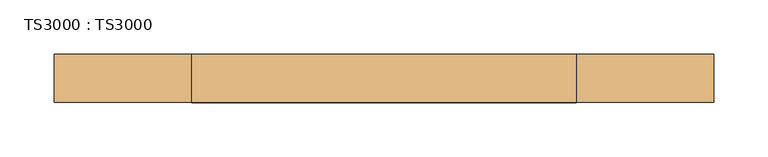
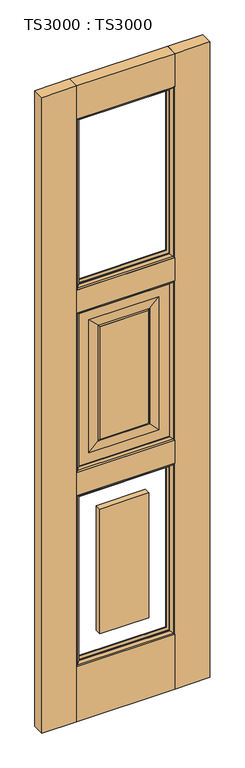
"""IFC4 building model written with IfcOpenShell, lengths in millimetres: door geometry, TS3000 : TS3000."""

from ifc_helpers import new_model, si_unit, frame, origin, origin_with_axes, place, context, project, spatial, polyline, ellipse_curve, outline, extrude, source, transform, mapped, element, save
from ifc_brep_helpers import plane_surface, revolved_surface, advanced_brep


def ts3000_ts3000_b3cfcfa0(model_context):
    return source(origin(), model_context, "Body", "SolidModel", [
        extrude(outline(polyline([(482.6, -44.45), (127.0, -44.45), (127.0, 0.0), (482.6, 0.0), (482.6, -44.45)])), origin_with_axes(), (0.0, 0.0, 1.0), 209.55),
        extrude(outline(polyline([(482.6, -44.45), (127.0, -44.45), (127.0, 0.0), (482.6, 0.0), (482.6, -44.45)])), frame((0.0, 0.0, 865.7166667), z_axis=(0.0, 0.0, 1.0), x_axis=(1.0, 0.0, 0.0)), (0.0, 0.0, 1.0), 88.9),
        extrude(outline(polyline([(482.6, -44.45), (127.0, -44.45), (127.0, 0.0), (482.6, 0.0), (482.6, -44.45)])), frame((0.0, 0.0, 2311.4), z_axis=(0.0, 0.0, 1.0), x_axis=(1.0, 0.0, 0.0)), (0.0, 0.0, 1.0), 127.0),
        extrude(outline(polyline([(482.6, -44.45), (127.0, -44.45), (127.0, 0.0), (482.6, 0.0), (482.6, -44.45)])), frame((0.0, 0.0, 1566.3333333), z_axis=(0.0, 0.0, 1.0), x_axis=(1.0, 0.0, 0.0)), (0.0, 0.0, 1.0), 88.9),
        extrude(outline(polyline([(609.6, -44.45), (482.6, -44.45), (482.6, 0.0), (609.6, 0.0), (609.6, -44.45)])), origin_with_axes(), (0.0, 0.0, 1.0), 2438.4),
        extrude(outline(polyline([(127.0, -44.45), (0.0, -44.45), (0.0, 0.0), (127.0, 0.0), (127.0, -44.45)])), origin_with_axes(), (0.0, 0.0, 1.0), 2438.4),
        advanced_brep(
        [(482.6, -12.7, 1566.3333333), (482.6, -31.75, 1566.3333333), (482.6, -31.75, 954.6166667), (482.6, -12.7, 954.6166667), (127.0, -31.75, 1566.3333333), (127.0, -31.75, 954.6166667), (431.8, -31.75, 1005.4166667), (177.8, -31.75, 1005.4166667), (177.8, -31.75, 1515.5333333), (431.8, -31.75, 1515.5333333), (127.0, -12.7, 954.6166667), (127.0, -12.7, 1566.3333333), (431.8, -12.7, 1515.5333333), (177.8, -12.7, 1515.5333333), (177.8, -12.7, 1005.4166667), (431.8, -12.7, 1005.4166667), (393.7, -33.3375, 1477.4333333), (393.7, -11.1125, 1477.4333333), (393.7, -11.1125, 1043.5166667), (393.7, -33.3375, 1043.5166667), (398.4625, -13.49375, 1482.1958333), (398.4625, -13.49375, 1038.7541667), (215.9, -11.1125, 1043.5166667), (215.9, -33.3375, 1043.5166667), (398.4625, -30.95625, 1482.1958333), (398.4625, -30.95625, 1038.7541667), (211.1375, -13.49375, 1038.7541667), (215.9, -11.1125, 1477.4333333), (215.9, -33.3375, 1477.4333333), (211.1375, -30.95625, 1038.7541667), (211.1375, -13.49375, 1482.1958333), (211.1375, -30.95625, 1482.1958333)],
        [
            (0, 1),
            (1, 2),
            (2, 3),
            (3, 0),
            (1, 4),
            (4, 5),
            (5, 2),
            (6, 7),
            (7, 8),
            (8, 9),
            (9, 6),
            (5, 10),
            (10, 3),
            (10, 11),
            (11, 0),
            (12, 13),
            (13, 14),
            (14, 15),
            (15, 12),
            (16, 17),
            (17, 18),
            (18, 19),
            (19, 16),
            (17, 20, ellipse_curve(frame((398.9585938, -6.5484375, 1482.6919271), z_axis=(-0.7071067811865475, 0.0, 0.7071067811865475), x_axis=(-0.7071067811865474, 0.0, -0.7071067811865476)), 9.8471798, 6.9630076)),
            (20, 21),
            (21, 18, ellipse_curve(frame((398.9585938, -6.5484375, 1038.2580729), z_axis=(-0.7071067811865475, 0.0, -0.7071067811865475), x_axis=(0.7071067811865474, 0.0, -0.7071067811865476)), 9.8471798, 6.9630076)),
            (18, 22),
            (22, 23),
            (23, 19),
            (24, 16, ellipse_curve(frame((398.9585938, -37.9015625, 1482.6919271), z_axis=(-0.7071067811865475, 0.0, 0.7071067811865475), x_axis=(-0.7071067811865474, 0.0, -0.7071067811865476)), 9.8471798, 6.9630076)),
            (19, 25, ellipse_curve(frame((398.9585938, -37.9015625, 1038.2580729), z_axis=(-0.7071067811865475, 0.0, -0.7071067811865475), x_axis=(0.7071067811865474, 0.0, -0.7071067811865476)), 9.8471798, 6.9630076)),
            (25, 24),
            (4, 11),
            (21, 26),
            (26, 22, ellipse_curve(frame((210.6414063, -6.5484375, 1038.2580729), z_axis=(-0.7071067811865475, 0.0, 0.7071067811865475), x_axis=(-0.7071067811865476, 0.0, -0.7071067811865474)), 9.8471798, 6.9630076)),
            (22, 27),
            (27, 28),
            (28, 23),
            (23, 29, ellipse_curve(frame((210.6414063, -37.9015625, 1038.2580729), z_axis=(-0.7071067811865475, 0.0, 0.7071067811865475), x_axis=(-0.7071067811865476, 0.0, -0.7071067811865474)), 9.8471798, 6.9630076)),
            (29, 25),
            (26, 30),
            (30, 27, ellipse_curve(frame((210.6414063, -6.5484375, 1482.6919271), z_axis=(0.7071067811865475, 0.0, 0.7071067811865475), x_axis=(-0.7071067811865474, 0.0, 0.7071067811865476)), 9.8471798, 6.9630076)),
            (28, 31, ellipse_curve(frame((210.6414063, -37.9015625, 1482.6919271), z_axis=(0.7071067811865475, 0.0, 0.7071067811865475), x_axis=(-0.7071067811865474, 0.0, 0.7071067811865476)), 9.8471798, 6.9630076)),
            (31, 29),
            (6, 25),
            (29, 7),
            (31, 8),
            (9, 24),
            (26, 14),
            (13, 30),
            (21, 15),
            (20, 12),
            (27, 17),
            (16, 28),
            (31, 24),
            (20, 30),
        ],
        [
            plane_surface(frame((482.6, -31.75, 1566.3333333), z_axis=(1.0, 0.0, 0.0), x_axis=(0.0, 0.0, -1.0))),
            plane_surface(frame((177.8, -31.75, 1515.5333333), z_axis=(0.0, -1.0, 0.0), x_axis=(1.0, 0.0, 0.0))),
            plane_surface(frame((482.6, -31.75, 954.6166667), z_axis=(0.0, 0.0, -1.0), x_axis=(-1.0, 0.0, 0.0))),
            plane_surface(frame((127.0, -12.7, 1566.3333333), z_axis=(0.0, 1.0, 0.0), x_axis=(1.0, 0.0, 0.0))),
            plane_surface(frame((393.7, -11.1125, 1477.4333333), z_axis=(-1.0, 0.0, 0.0), x_axis=(0.0, 0.0, -1.0))),
            revolved_surface(polyline([(391.9955862, -6.5484375, 1031.2950652878567), (391.9955862, -6.5484375, 1489.6549347121431)]), (398.9585938, -6.5484375, 1477.4333333), (0.0, 0.0, -1.0)),
            plane_surface(frame((393.7, -11.1125, 1043.5166667), z_axis=(0.0, 0.0, 1.0), x_axis=(-1.0, 0.0, 0.0))),
            revolved_surface(polyline([(391.9955862, -37.9015625, 1031.2950652878567), (391.9955862, -37.9015625, 1489.6549347121431)]), (398.9585938, -37.9015625, 1477.4333333), (0.0, 0.0, -1.0)),
            plane_surface(frame((127.0, -31.75, 954.6166667), z_axis=(-1.0, 0.0, 0.0), x_axis=(0.0, 0.0, 1.0))),
            revolved_surface(polyline([(203.6783986878568, -6.5484375, 1045.2210805), (405.9216014121432, -6.5484375, 1045.2210805)]), (393.7, -6.5484375, 1038.2580729), (-1.0, 0.0, 0.0)),
            plane_surface(frame((215.9, -11.1125, 1043.5166667), z_axis=(1.0, 0.0, 0.0), x_axis=(0.0, 0.0, 1.0))),
            revolved_surface(polyline([(203.6783986878568, -37.9015625, 1045.2210805), (405.9216014121432, -37.9015625, 1045.2210805)]), (393.7, -37.9015625, 1038.2580729), (-1.0, 0.0, 0.0)),
            revolved_surface(polyline([(217.6044139, -6.5484375, 1489.6549347121431), (217.6044139, -6.5484375, 1031.2950652878567)]), (210.6414063, -6.5484375, 1043.5166667), (0.0, 0.0, 1.0)),
            revolved_surface(polyline([(217.6044139, -37.9015625, 1489.6549347121431), (217.6044139, -37.9015625, 1031.2950652878567)]), (210.6414063, -37.9015625, 1043.5166667), (0.0, 0.0, 1.0)),
            plane_surface(frame((398.4625, -30.95625, 1038.7541667), z_axis=(0.0, -0.9997166737441345, 0.023802777946362628), x_axis=(-1.0, 0.0, 0.0))),
            plane_surface(frame((211.1375, -30.95625, 1038.7541667), z_axis=(0.023802777946359394, -0.9997166737441346, 0.0), x_axis=(0.0, 0.0, 1.0))),
            plane_surface(frame((398.4625, -30.95625, 1482.1958333), z_axis=(-0.02380277794636586, -0.9997166737441344, 0.0), x_axis=(0.0, 0.0, -1.0))),
            plane_surface(frame((177.8, -12.7, 1005.4166667), z_axis=(0.023802777946303297, 0.9997166737441359, 0.0), x_axis=(0.0, 0.0, 1.0))),
            plane_surface(frame((431.8, -12.7, 1005.4166667), z_axis=(0.0, 0.999716673744136, 0.023802777946300063), x_axis=(-1.0, 0.0, 0.0))),
            plane_surface(frame((431.8, -12.7, 1515.5333333), z_axis=(-0.02380277794629683, 0.9997166737441361, 0.0), x_axis=(0.0, 0.0, -1.0))),
            plane_surface(frame((127.0, -31.75, 1566.3333333), z_axis=(0.0, 0.0, 1.0), x_axis=(1.0, 0.0, 0.0))),
            plane_surface(frame((215.9, -11.1125, 1477.4333333), z_axis=(0.0, 0.0, -1.0), x_axis=(1.0, 0.0, 0.0))),
            plane_surface(frame((211.1375, -30.95625, 1482.1958333), z_axis=(0.0, -0.9997166737441345, -0.023802777946362628), x_axis=(1.0, 0.0, 0.0))),
            plane_surface(frame((177.8, -12.7, 1515.5333333), z_axis=(0.0, 0.999716673744136, -0.023802777946300063), x_axis=(1.0, 0.0, 0.0))),
            revolved_surface(polyline([(405.9216014121432, -6.5484375, 1475.7289194999998), (203.6783986878568, -6.5484375, 1475.7289194999998)]), (215.9, -6.5484375, 1482.6919271), (1.0, 0.0, 0.0)),
            revolved_surface(polyline([(405.9216014121432, -37.9015625, 1475.7289194999998), (203.6783986878568, -37.9015625, 1475.7289194999998)]), (215.9, -37.9015625, 1482.6919271), (1.0, 0.0, 0.0)),
        ],
        [
            (0, [[1, 2, 3, 4]]),
            (1, [[5, 6, 7, -2], [8, 9, 10, 11]]),
            (2, [[-3, -7, 12, 13]]),
            (3, [[-13, 14, 15, -4], [16, 17, 18, 19]]),
            (4, [[20, 21, 22, 23]]),
            (5, [[24, 25, 26, -21]]),
            (6, [[-22, 27, 28, 29]]),
            (7, [[30, -23, 31, 32]]),
            (8, [[-12, -6, 33, -14]]),
            (9, [[-26, 34, 35, -27]]),
            (10, [[-28, 36, 37, 38]]),
            (11, [[-31, -29, 39, 40]]),
            (12, [[-35, 41, 42, -36]]),
            (13, [[-39, -38, 43, 44]]),
            (14, [[45, -40, 46, -8]]),
            (15, [[-46, -44, 47, -9]]),
            (16, [[48, -32, -45, -11]]),
            (17, [[49, -17, 50, -41]]),
            (18, [[51, -18, -49, -34]]),
            (19, [[52, -19, -51, -25]]),
            (20, [[-33, -5, -1, -15]]),
            (21, [[-37, 53, -20, 54]]),
            (22, [[-47, 55, -48, -10]]),
            (23, [[-50, -16, -52, 56]]),
            (24, [[-42, -56, -24, -53]]),
            (25, [[-43, -54, -30, -55]]),
        ],
    ),
        extrude(outline(polyline([(215.9, -11.1125), (393.7, -11.1125), (393.7, -33.3375), (215.9, -33.3375), (215.9, -11.1125)])), frame((0.0, 0.0, 298.45), z_axis=(0.0, 0.0, 1.0), x_axis=(1.0, 0.0, 0.0)), (0.0, 0.0, 1.0), 478.3666667),
        extrude(outline(polyline([(215.9, -11.1125), (393.7, -11.1125), (393.7, -33.3375), (215.9, -33.3375), (215.9, -11.1125)])), frame((0.0, 0.0, 1043.5166667), z_axis=(0.0, 0.0, 1.0), x_axis=(1.0, 0.0, 0.0)), (0.0, 0.0, 1.0), 433.9166667),
        advanced_brep(
        [(482.6, -31.75, 865.7166667), (482.6, -44.4610047, 865.7166667), (482.6, -44.4610047, 209.55), (482.6, -31.75, 209.55), (469.8912454, -34.925, 853.007912), (469.8912454, -31.75, 853.007912), (469.8912454, -31.75, 222.2587546), (469.8912454, -34.925, 222.2587546), (477.7328423, -41.275, 860.849509), (477.7328423, -41.275, 214.4171577), (127.0, -44.4610047, 209.55), (127.0, -31.75, 209.55), (139.7087546, -31.75, 222.2587546), (139.7087546, -34.925, 222.2587546), (131.8671577, -41.275, 214.4171577), (127.0, -44.4610047, 865.7166667), (127.0, -31.75, 865.7166667), (139.7087546, -31.75, 853.007912), (139.7087546, -34.925, 853.007912), (131.8671577, -41.275, 860.849509)],
        [
            (0, 1),
            (1, 2),
            (2, 3),
            (3, 0),
            (4, 5),
            (5, 6),
            (6, 7),
            (7, 4),
            (8, 4, ellipse_curve(frame((465.749739, -48.0561173, 848.8664057), z_axis=(-0.7071067811865475, 0.0, 0.7071067811865475), x_axis=(-0.7071067811865474, 0.0, -0.7071067811865476)), 19.4719447, 13.7687442)),
            (7, 9, ellipse_curve(frame((465.749739, -48.0561173, 226.400261), z_axis=(-0.7071067811865475, 0.0, -0.7071067811865475), x_axis=(0.7071067811865474, 0.0, -0.7071067811865476)), 19.4719447, 13.7687442)),
            (9, 8),
            (1, 8, ellipse_curve(frame((474.6613821, -51.2778746, 857.7780488), z_axis=(-0.7071067811865475, 0.0, 0.7071067811865475), x_axis=(-0.7071067811865474, 0.0, -0.7071067811865476)), 14.7980653, 10.4638123)),
            (9, 2, ellipse_curve(frame((474.6613821, -51.2778746, 217.4886179), z_axis=(-0.7071067811865475, 0.0, -0.7071067811865475), x_axis=(0.7071067811865474, 0.0, -0.7071067811865476)), 14.7980653, 10.4638123)),
            (2, 10),
            (10, 11),
            (11, 3),
            (6, 12),
            (12, 13),
            (13, 7),
            (13, 14, ellipse_curve(frame((143.850261, -48.0561173, 226.400261), z_axis=(-0.7071067811865475, 0.0, 0.7071067811865475), x_axis=(-0.7071067811865476, 0.0, -0.7071067811865474)), 19.4719447, 13.7687442)),
            (14, 9),
            (14, 10, ellipse_curve(frame((134.9386179, -51.2778746, 217.4886179), z_axis=(-0.7071067811865475, 0.0, 0.7071067811865475), x_axis=(-0.7071067811865476, 0.0, -0.7071067811865474)), 14.7980653, 10.4638123)),
            (10, 15),
            (15, 16),
            (16, 11),
            (12, 17),
            (17, 18),
            (18, 13),
            (18, 19, ellipse_curve(frame((143.850261, -48.0561173, 848.8664057), z_axis=(0.7071067811865475, 0.0, 0.7071067811865475), x_axis=(-0.7071067811865474, 0.0, 0.7071067811865476)), 19.4719447, 13.7687442)),
            (19, 14),
            (19, 15, ellipse_curve(frame((134.9386179, -51.2778746, 857.7780488), z_axis=(0.7071067811865475, 0.0, 0.7071067811865475), x_axis=(-0.7071067811865474, 0.0, 0.7071067811865476)), 14.7980653, 10.4638123)),
            (15, 1),
            (0, 16),
            (5, 17),
            (4, 18),
            (8, 19),
        ],
        [
            plane_surface(frame((482.6, -44.4610047, 865.7166667), z_axis=(1.0, 0.0, 0.0), x_axis=(0.0, 0.0, -1.0))),
            plane_surface(frame((469.8912454, -31.75, 853.007912), z_axis=(-1.0, 0.0, 0.0), x_axis=(0.0, 0.0, -1.0))),
            revolved_surface(polyline([(451.98099479999996, -48.0561173, 212.6315168597406), (451.98099479999996, -48.0561173, 862.6351498402594)]), (465.749739, -48.0561173, 865.7166667), (0.0, 0.0, -1.0)),
            revolved_surface(polyline([(464.1975698, -51.2778746, 207.02480557792865), (464.1975698, -51.2778746, 868.2418611220713)]), (474.6613821, -51.2778746, 865.7166667), (0.0, 0.0, -1.0)),
            plane_surface(frame((482.6, -44.4610047, 209.55), z_axis=(0.0, 0.0, -1.0), x_axis=(-1.0, 0.0, 0.0))),
            plane_surface(frame((469.8912454, -31.75, 222.2587546), z_axis=(0.0, 0.0, 1.0), x_axis=(-1.0, 0.0, 0.0))),
            revolved_surface(polyline([(130.08151685974053, -48.0561173, 240.16900520000002), (479.51848314025943, -48.0561173, 240.16900520000002)]), (482.6, -48.0561173, 226.400261), (-1.0, 0.0, 0.0)),
            revolved_surface(polyline([(124.47480557792863, -51.2778746, 227.9524302), (485.1251944220714, -51.2778746, 227.9524302)]), (482.6, -51.2778746, 217.4886179), (-1.0, 0.0, 0.0)),
            plane_surface(frame((127.0, -44.4610047, 209.55), z_axis=(-1.0, 0.0, 0.0), x_axis=(0.0, 0.0, 1.0))),
            plane_surface(frame((139.7087546, -31.75, 222.2587546), z_axis=(1.0, 0.0, 0.0), x_axis=(0.0, 0.0, 1.0))),
            revolved_surface(polyline([(157.6190052, -48.0561173, 862.6351498402594), (157.6190052, -48.0561173, 212.63151685974054)]), (143.850261, -48.0561173, 209.55), (0.0, 0.0, 1.0)),
            revolved_surface(polyline([(145.4024302, -51.2778746, 868.2418611220712), (145.4024302, -51.2778746, 207.02480557792867)]), (134.9386179, -51.2778746, 209.55), (0.0, 0.0, 1.0)),
            plane_surface(frame((127.0, -44.4610047, 865.7166667), z_axis=(0.0, 0.0, 1.0), x_axis=(1.0, 0.0, 0.0))),
            plane_surface(frame((127.0, -31.75, 865.7166667), z_axis=(0.0, 1.0, 0.0), x_axis=(1.0, 0.0, 0.0))),
            plane_surface(frame((139.7087546, -31.75, 853.007912), z_axis=(0.0, 0.0, -1.0), x_axis=(1.0, 0.0, 0.0))),
            revolved_surface(polyline([(479.51848314025943, -48.0561173, 835.0976615), (130.08151685974053, -48.0561173, 835.0976615)]), (127.0, -48.0561173, 848.8664057), (1.0, 0.0, 0.0)),
            revolved_surface(polyline([(485.1251944220714, -51.2778746, 847.3142365), (124.47480557792866, -51.2778746, 847.3142365)]), (127.0, -51.2778746, 857.7780488), (1.0, 0.0, 0.0)),
        ],
        [
            (0, [[1, 2, 3, 4]]),
            (1, [[5, 6, 7, 8]]),
            (2, [[9, -8, 10, 11]]),
            (3, [[12, -11, 13, -2]]),
            (4, [[-3, 14, 15, 16]]),
            (5, [[-7, 17, 18, 19]]),
            (6, [[-10, -19, 20, 21]]),
            (7, [[-13, -21, 22, -14]]),
            (8, [[-15, 23, 24, 25]]),
            (9, [[-18, 26, 27, 28]]),
            (10, [[-20, -28, 29, 30]]),
            (11, [[-22, -30, 31, -23]]),
            (12, [[-24, 32, -1, 33]]),
            (13, [[-16, -25, -33, -4], [34, -26, -17, -6]]),
            (14, [[-27, -34, -5, 35]]),
            (15, [[-29, -35, -9, 36]]),
            (16, [[-31, -36, -12, -32]]),
        ],
    ),
        advanced_brep(
        [(477.7328423, -3.175, 860.849509), (482.6, 0.0110047, 865.7166667), (482.6, 0.0110047, 209.55), (477.7328423, -3.175, 214.4171577), (469.8912454, -9.525, 853.007912), (469.8912454, -9.525, 222.2587546), (469.8912454, -12.7, 853.007912), (469.8912454, -12.7, 222.2587546), (482.6, -12.7, 865.7166667), (482.6, -12.7, 209.55), (127.0, 0.0110047, 209.55), (131.8671577, -3.175, 214.4171577), (139.7087546, -9.525, 222.2587546), (139.7087546, -12.7, 222.2587546), (127.0, -12.7, 209.55), (127.0, 0.0110047, 865.7166667), (131.8671577, -3.175, 860.849509), (139.7087546, -9.525, 853.007912), (139.7087546, -12.7, 853.007912), (127.0, -12.7, 865.7166667)],
        [
            (0, 1, ellipse_curve(frame((474.6613821, 6.8278746, 857.7780488), z_axis=(-0.7071067811865475, 0.0, 0.7071067811865475), x_axis=(-0.7071067811865474, 0.0, -0.7071067811865476)), 14.7980653, 10.4638123)),
            (1, 2),
            (2, 3, ellipse_curve(frame((474.6613821, 6.8278746, 217.4886179), z_axis=(-0.7071067811865475, 0.0, -0.7071067811865475), x_axis=(0.7071067811865474, 0.0, -0.7071067811865476)), 14.7980653, 10.4638123)),
            (3, 0),
            (4, 0, ellipse_curve(frame((465.749739, 3.6061173, 848.8664057), z_axis=(-0.7071067811865475, 0.0, 0.7071067811865475), x_axis=(-0.7071067811865474, 0.0, -0.7071067811865476)), 19.4719447, 13.7687442)),
            (3, 5, ellipse_curve(frame((465.749739, 3.6061173, 226.400261), z_axis=(-0.7071067811865475, 0.0, -0.7071067811865475), x_axis=(0.7071067811865474, 0.0, -0.7071067811865476)), 19.4719447, 13.7687442)),
            (5, 4),
            (6, 4),
            (5, 7),
            (7, 6),
            (1, 8),
            (8, 9),
            (9, 2),
            (2, 10),
            (10, 11, ellipse_curve(frame((134.9386179, 6.8278746, 217.4886179), z_axis=(-0.7071067811865475, 0.0, 0.7071067811865475), x_axis=(-0.7071067811865476, 0.0, -0.7071067811865474)), 14.7980653, 10.4638123)),
            (11, 3),
            (11, 12, ellipse_curve(frame((143.850261, 3.6061173, 226.400261), z_axis=(-0.7071067811865475, 0.0, 0.7071067811865475), x_axis=(-0.7071067811865476, 0.0, -0.7071067811865474)), 19.4719447, 13.7687442)),
            (12, 5),
            (12, 13),
            (13, 7),
            (9, 14),
            (14, 10),
            (10, 15),
            (15, 16, ellipse_curve(frame((134.9386179, 6.8278746, 857.7780488), z_axis=(0.7071067811865475, 0.0, 0.7071067811865475), x_axis=(-0.7071067811865474, 0.0, 0.7071067811865476)), 14.7980653, 10.4638123)),
            (16, 11),
            (16, 17, ellipse_curve(frame((143.850261, 3.6061173, 848.8664057), z_axis=(0.7071067811865475, 0.0, 0.7071067811865475), x_axis=(-0.7071067811865474, 0.0, 0.7071067811865476)), 19.4719447, 13.7687442)),
            (17, 12),
            (17, 18),
            (18, 13),
            (14, 19),
            (19, 15),
            (15, 1),
            (0, 16),
            (4, 17),
            (6, 18),
            (8, 19),
        ],
        [
            revolved_surface(polyline([(464.1975698, 6.8278746, 207.02480557792865), (464.1975698, 6.8278746, 868.2418611220713)]), (474.6613821, 6.8278746, 865.7166667), (0.0, 0.0, -1.0)),
            revolved_surface(polyline([(451.98099479999996, 3.6061173, 212.6315168597406), (451.98099479999996, 3.6061173, 862.6351498402594)]), (465.749739, 3.6061173, 865.7166667), (0.0, 0.0, -1.0)),
            plane_surface(frame((469.8912454, -9.525, 853.007912), z_axis=(-1.0, 0.0, 0.0), x_axis=(0.0, 0.0, -1.0))),
            plane_surface(frame((482.6, -12.7, 865.7166667), z_axis=(1.0, 0.0, 0.0), x_axis=(0.0, 0.0, -1.0))),
            revolved_surface(polyline([(124.47480557792863, 6.8278746, 227.9524302), (485.1251944220714, 6.8278746, 227.9524302)]), (482.6, 6.8278746, 217.4886179), (-1.0, 0.0, 0.0)),
            revolved_surface(polyline([(130.08151685974053, 3.6061173, 240.16900520000002), (479.51848314025943, 3.6061173, 240.16900520000002)]), (482.6, 3.6061173, 226.400261), (-1.0, 0.0, 0.0)),
            plane_surface(frame((469.8912454, -9.525, 222.2587546), z_axis=(0.0, 0.0, 1.0), x_axis=(-1.0, 0.0, 0.0))),
            plane_surface(frame((482.6, -12.7, 209.55), z_axis=(0.0, 0.0, -1.0), x_axis=(-1.0, 0.0, 0.0))),
            revolved_surface(polyline([(145.4024302, 6.8278746, 868.2418611220712), (145.4024302, 6.8278746, 207.02480557792867)]), (134.9386179, 6.8278746, 209.55), (0.0, 0.0, 1.0)),
            revolved_surface(polyline([(157.6190052, 3.6061173, 862.6351498402594), (157.6190052, 3.6061173, 212.63151685974054)]), (143.850261, 3.6061173, 209.55), (0.0, 0.0, 1.0)),
            plane_surface(frame((139.7087546, -9.525, 222.2587546), z_axis=(1.0, 0.0, 0.0), x_axis=(0.0, 0.0, 1.0))),
            plane_surface(frame((127.0, -12.7, 209.55), z_axis=(-1.0, 0.0, 0.0), x_axis=(0.0, 0.0, 1.0))),
            revolved_surface(polyline([(485.1251944220714, 6.8278746, 847.3142365), (124.47480557792866, 6.8278746, 847.3142365)]), (127.0, 6.8278746, 857.7780488), (1.0, 0.0, 0.0)),
            revolved_surface(polyline([(479.51848314025943, 3.6061173, 835.0976615), (130.08151685974053, 3.6061173, 835.0976615)]), (127.0, 3.6061173, 848.8664057), (1.0, 0.0, 0.0)),
            plane_surface(frame((139.7087546, -9.525, 853.007912), z_axis=(0.0, 0.0, -1.0), x_axis=(1.0, 0.0, 0.0))),
            plane_surface(frame((139.7087546, -12.7, 853.007912), z_axis=(0.0, -1.0, 0.0), x_axis=(1.0, 0.0, 0.0))),
            plane_surface(frame((127.0, -12.7, 865.7166667), z_axis=(0.0, 0.0, 1.0), x_axis=(1.0, 0.0, 0.0))),
        ],
        [
            (0, [[1, 2, 3, 4]]),
            (1, [[5, -4, 6, 7]]),
            (2, [[8, -7, 9, 10]]),
            (3, [[11, 12, 13, -2]]),
            (4, [[-3, 14, 15, 16]]),
            (5, [[-6, -16, 17, 18]]),
            (6, [[-9, -18, 19, 20]]),
            (7, [[-13, 21, 22, -14]]),
            (8, [[-15, 23, 24, 25]]),
            (9, [[-17, -25, 26, 27]]),
            (10, [[-19, -27, 28, 29]]),
            (11, [[-22, 30, 31, -23]]),
            (12, [[-24, 32, -1, 33]]),
            (13, [[-26, -33, -5, 34]]),
            (14, [[-28, -34, -8, 35]]),
            (15, [[36, -30, -21, -12], [-20, -29, -35, -10]]),
            (16, [[-31, -36, -11, -32]]),
        ],
    ),
        advanced_brep(
        [(482.6, -31.75, 1566.3333333), (482.6, -44.4610047, 1566.3333333), (482.6, -44.4610047, 954.6166667), (482.6, -31.75, 954.6166667), (469.8912454, -34.925, 1553.6245787), (469.8912454, -31.75, 1553.6245787), (469.8912454, -31.75, 967.3254213), (469.8912454, -34.925, 967.3254213), (477.7328423, -41.275, 1561.4661757), (477.7328423, -41.275, 959.4838243), (127.0, -44.4610047, 954.6166667), (127.0, -31.75, 954.6166667), (139.7087546, -31.75, 967.3254213), (139.7087546, -34.925, 967.3254213), (131.8671577, -41.275, 959.4838243), (127.0, -44.4610047, 1566.3333333), (127.0, -31.75, 1566.3333333), (139.7087546, -31.75, 1553.6245787), (139.7087546, -34.925, 1553.6245787), (131.8671577, -41.275, 1561.4661757)],
        [
            (0, 1),
            (1, 2),
            (2, 3),
            (3, 0),
            (4, 5),
            (5, 6),
            (6, 7),
            (7, 4),
            (8, 4, ellipse_curve(frame((465.749739, -48.0561173, 1549.4830724), z_axis=(-0.7071067811865475, 0.0, 0.7071067811865475), x_axis=(-0.7071067811865474, 0.0, -0.7071067811865476)), 19.4719447, 13.7687442)),
            (7, 9, ellipse_curve(frame((465.749739, -48.0561173, 971.4669276), z_axis=(-0.7071067811865475, 0.0, -0.7071067811865475), x_axis=(0.7071067811865474, 0.0, -0.7071067811865476)), 19.4719447, 13.7687442)),
            (9, 8),
            (1, 8, ellipse_curve(frame((474.6613821, -51.2778746, 1558.3947155), z_axis=(-0.7071067811865475, 0.0, 0.7071067811865475), x_axis=(-0.7071067811865474, 0.0, -0.7071067811865476)), 14.7980653, 10.4638123)),
            (9, 2, ellipse_curve(frame((474.6613821, -51.2778746, 962.5552845), z_axis=(-0.7071067811865475, 0.0, -0.7071067811865475), x_axis=(0.7071067811865474, 0.0, -0.7071067811865476)), 14.7980653, 10.4638123)),
            (2, 10),
            (10, 11),
            (11, 3),
            (6, 12),
            (12, 13),
            (13, 7),
            (13, 14, ellipse_curve(frame((143.850261, -48.0561173, 971.4669276), z_axis=(-0.7071067811865475, 0.0, 0.7071067811865475), x_axis=(-0.7071067811865476, 0.0, -0.7071067811865474)), 19.4719447, 13.7687442)),
            (14, 9),
            (14, 10, ellipse_curve(frame((134.9386179, -51.2778746, 962.5552845), z_axis=(-0.7071067811865475, 0.0, 0.7071067811865475), x_axis=(-0.7071067811865476, 0.0, -0.7071067811865474)), 14.7980653, 10.4638123)),
            (10, 15),
            (15, 16),
            (16, 11),
            (12, 17),
            (17, 18),
            (18, 13),
            (18, 19, ellipse_curve(frame((143.850261, -48.0561173, 1549.4830724), z_axis=(0.7071067811865475, 0.0, 0.7071067811865475), x_axis=(-0.7071067811865474, 0.0, 0.7071067811865476)), 19.4719447, 13.7687442)),
            (19, 14),
            (19, 15, ellipse_curve(frame((134.9386179, -51.2778746, 1558.3947155), z_axis=(0.7071067811865475, 0.0, 0.7071067811865475), x_axis=(-0.7071067811865474, 0.0, 0.7071067811865476)), 14.7980653, 10.4638123)),
            (15, 1),
            (0, 16),
            (5, 17),
            (4, 18),
            (8, 19),
        ],
        [
            plane_surface(frame((482.6, -44.4610047, 1566.3333333), z_axis=(1.0, 0.0, 0.0), x_axis=(0.0, 0.0, -1.0))),
            plane_surface(frame((469.8912454, -31.75, 1553.6245787), z_axis=(-1.0, 0.0, 0.0), x_axis=(0.0, 0.0, -1.0))),
            revolved_surface(polyline([(451.98099479999996, -48.0561173, 957.6981834597406), (451.98099479999996, -48.0561173, 1563.2518165402596)]), (465.749739, -48.0561173, 1566.3333333), (0.0, 0.0, -1.0)),
            revolved_surface(polyline([(464.1975698, -51.2778746, 952.0914721779286), (464.1975698, -51.2778746, 1568.8585278220714)]), (474.6613821, -51.2778746, 1566.3333333), (0.0, 0.0, -1.0)),
            plane_surface(frame((482.6, -44.4610047, 954.6166667), z_axis=(0.0, 0.0, -1.0), x_axis=(-1.0, 0.0, 0.0))),
            plane_surface(frame((469.8912454, -31.75, 967.3254213), z_axis=(0.0, 0.0, 1.0), x_axis=(-1.0, 0.0, 0.0))),
            revolved_surface(polyline([(130.08151685974053, -48.0561173, 985.2356718), (479.51848314025943, -48.0561173, 985.2356718)]), (482.6, -48.0561173, 971.4669276), (-1.0, 0.0, 0.0)),
            revolved_surface(polyline([(124.47480557792863, -51.2778746, 973.0190967999999), (485.1251944220714, -51.2778746, 973.0190967999999)]), (482.6, -51.2778746, 962.5552845), (-1.0, 0.0, 0.0)),
            plane_surface(frame((127.0, -44.4610047, 954.6166667), z_axis=(-1.0, 0.0, 0.0), x_axis=(0.0, 0.0, 1.0))),
            plane_surface(frame((139.7087546, -31.75, 967.3254213), z_axis=(1.0, 0.0, 0.0), x_axis=(0.0, 0.0, 1.0))),
            revolved_surface(polyline([(157.6190052, -48.0561173, 1563.2518165402594), (157.6190052, -48.0561173, 957.6981834597406)]), (143.850261, -48.0561173, 954.6166667), (0.0, 0.0, 1.0)),
            revolved_surface(polyline([(145.4024302, -51.2778746, 1568.8585278220714), (145.4024302, -51.2778746, 952.0914721779286)]), (134.9386179, -51.2778746, 954.6166667), (0.0, 0.0, 1.0)),
            plane_surface(frame((127.0, -44.4610047, 1566.3333333), z_axis=(0.0, 0.0, 1.0), x_axis=(1.0, 0.0, 0.0))),
            plane_surface(frame((127.0, -31.75, 1566.3333333), z_axis=(0.0, 1.0, 0.0), x_axis=(1.0, 0.0, 0.0))),
            plane_surface(frame((139.7087546, -31.75, 1553.6245787), z_axis=(0.0, 0.0, -1.0), x_axis=(1.0, 0.0, 0.0))),
            revolved_surface(polyline([(479.51848314025943, -48.0561173, 1535.7143282000002), (130.08151685974053, -48.0561173, 1535.7143282000002)]), (127.0, -48.0561173, 1549.4830724), (1.0, 0.0, 0.0)),
            revolved_surface(polyline([(485.1251944220714, -51.2778746, 1547.9309032), (124.47480557792866, -51.2778746, 1547.9309032)]), (127.0, -51.2778746, 1558.3947155), (1.0, 0.0, 0.0)),
        ],
        [
            (0, [[1, 2, 3, 4]]),
            (1, [[5, 6, 7, 8]]),
            (2, [[9, -8, 10, 11]]),
            (3, [[12, -11, 13, -2]]),
            (4, [[-3, 14, 15, 16]]),
            (5, [[-7, 17, 18, 19]]),
            (6, [[-10, -19, 20, 21]]),
            (7, [[-13, -21, 22, -14]]),
            (8, [[-15, 23, 24, 25]]),
            (9, [[-18, 26, 27, 28]]),
            (10, [[-20, -28, 29, 30]]),
            (11, [[-22, -30, 31, -23]]),
            (12, [[-24, 32, -1, 33]]),
            (13, [[-16, -25, -33, -4], [34, -26, -17, -6]]),
            (14, [[-27, -34, -5, 35]]),
            (15, [[-29, -35, -9, 36]]),
            (16, [[-31, -36, -12, -32]]),
        ],
    ),
        advanced_brep(
        [(477.7328423, -3.175, 1561.4661757), (482.6, 0.0110047, 1566.3333333), (482.6, 0.0110047, 954.6166667), (477.7328423, -3.175, 959.4838243), (469.8912454, -9.525, 1553.6245787), (469.8912454, -9.525, 967.3254213), (469.8912454, -12.7, 1553.6245787), (469.8912454, -12.7, 967.3254213), (482.6, -12.7, 1566.3333333), (482.6, -12.7, 954.6166667), (127.0, 0.0110047, 954.6166667), (131.8671577, -3.175, 959.4838243), (139.7087546, -9.525, 967.3254213), (139.7087546, -12.7, 967.3254213), (127.0, -12.7, 954.6166667), (127.0, 0.0110047, 1566.3333333), (131.8671577, -3.175, 1561.4661757), (139.7087546, -9.525, 1553.6245787), (139.7087546, -12.7, 1553.6245787), (127.0, -12.7, 1566.3333333)],
        [
            (0, 1, ellipse_curve(frame((474.6613821, 6.8278746, 1558.3947155), z_axis=(-0.7071067811865475, 0.0, 0.7071067811865475), x_axis=(-0.7071067811865474, 0.0, -0.7071067811865476)), 14.7980653, 10.4638123)),
            (1, 2),
            (2, 3, ellipse_curve(frame((474.6613821, 6.8278746, 962.5552845), z_axis=(-0.7071067811865475, 0.0, -0.7071067811865475), x_axis=(0.7071067811865474, 0.0, -0.7071067811865476)), 14.7980653, 10.4638123)),
            (3, 0),
            (4, 0, ellipse_curve(frame((465.749739, 3.6061173, 1549.4830724), z_axis=(-0.7071067811865475, 0.0, 0.7071067811865475), x_axis=(-0.7071067811865474, 0.0, -0.7071067811865476)), 19.4719447, 13.7687442)),
            (3, 5, ellipse_curve(frame((465.749739, 3.6061173, 971.4669276), z_axis=(-0.7071067811865475, 0.0, -0.7071067811865475), x_axis=(0.7071067811865474, 0.0, -0.7071067811865476)), 19.4719447, 13.7687442)),
            (5, 4),
            (6, 4),
            (5, 7),
            (7, 6),
            (1, 8),
            (8, 9),
            (9, 2),
            (2, 10),
            (10, 11, ellipse_curve(frame((134.9386179, 6.8278746, 962.5552845), z_axis=(-0.7071067811865475, 0.0, 0.7071067811865475), x_axis=(-0.7071067811865476, 0.0, -0.7071067811865474)), 14.7980653, 10.4638123)),
            (11, 3),
            (11, 12, ellipse_curve(frame((143.850261, 3.6061173, 971.4669276), z_axis=(-0.7071067811865475, 0.0, 0.7071067811865475), x_axis=(-0.7071067811865476, 0.0, -0.7071067811865474)), 19.4719447, 13.7687442)),
            (12, 5),
            (12, 13),
            (13, 7),
            (9, 14),
            (14, 10),
            (10, 15),
            (15, 16, ellipse_curve(frame((134.9386179, 6.8278746, 1558.3947155), z_axis=(0.7071067811865475, 0.0, 0.7071067811865475), x_axis=(-0.7071067811865474, 0.0, 0.7071067811865476)), 14.7980653, 10.4638123)),
            (16, 11),
            (16, 17, ellipse_curve(frame((143.850261, 3.6061173, 1549.4830724), z_axis=(0.7071067811865475, 0.0, 0.7071067811865475), x_axis=(-0.7071067811865474, 0.0, 0.7071067811865476)), 19.4719447, 13.7687442)),
            (17, 12),
            (17, 18),
            (18, 13),
            (14, 19),
            (19, 15),
            (15, 1),
            (0, 16),
            (4, 17),
            (6, 18),
            (8, 19),
        ],
        [
            revolved_surface(polyline([(464.1975698, 6.8278746, 952.0914721779286), (464.1975698, 6.8278746, 1568.8585278220714)]), (474.6613821, 6.8278746, 1566.3333333), (0.0, 0.0, -1.0)),
            revolved_surface(polyline([(451.98099479999996, 3.6061173, 957.6981834597406), (451.98099479999996, 3.6061173, 1563.2518165402596)]), (465.749739, 3.6061173, 1566.3333333), (0.0, 0.0, -1.0)),
            plane_surface(frame((469.8912454, -9.525, 1553.6245787), z_axis=(-1.0, 0.0, 0.0), x_axis=(0.0, 0.0, -1.0))),
            plane_surface(frame((482.6, -12.7, 1566.3333333), z_axis=(1.0, 0.0, 0.0), x_axis=(0.0, 0.0, -1.0))),
            revolved_surface(polyline([(124.47480557792863, 6.8278746, 973.0190967999999), (485.1251944220714, 6.8278746, 973.0190967999999)]), (482.6, 6.8278746, 962.5552845), (-1.0, 0.0, 0.0)),
            revolved_surface(polyline([(130.08151685974053, 3.6061173, 985.2356718), (479.51848314025943, 3.6061173, 985.2356718)]), (482.6, 3.6061173, 971.4669276), (-1.0, 0.0, 0.0)),
            plane_surface(frame((469.8912454, -9.525, 967.3254213), z_axis=(0.0, 0.0, 1.0), x_axis=(-1.0, 0.0, 0.0))),
            plane_surface(frame((482.6, -12.7, 954.6166667), z_axis=(0.0, 0.0, -1.0), x_axis=(-1.0, 0.0, 0.0))),
            revolved_surface(polyline([(145.4024302, 6.8278746, 1568.8585278220714), (145.4024302, 6.8278746, 952.0914721779286)]), (134.9386179, 6.8278746, 954.6166667), (0.0, 0.0, 1.0)),
            revolved_surface(polyline([(157.6190052, 3.6061173, 1563.2518165402594), (157.6190052, 3.6061173, 957.6981834597406)]), (143.850261, 3.6061173, 954.6166667), (0.0, 0.0, 1.0)),
            plane_surface(frame((139.7087546, -9.525, 967.3254213), z_axis=(1.0, 0.0, 0.0), x_axis=(0.0, 0.0, 1.0))),
            plane_surface(frame((127.0, -12.7, 954.6166667), z_axis=(-1.0, 0.0, 0.0), x_axis=(0.0, 0.0, 1.0))),
            revolved_surface(polyline([(485.1251944220714, 6.8278746, 1547.9309032), (124.47480557792866, 6.8278746, 1547.9309032)]), (127.0, 6.8278746, 1558.3947155), (1.0, 0.0, 0.0)),
            revolved_surface(polyline([(479.51848314025943, 3.6061173, 1535.7143282000002), (130.08151685974053, 3.6061173, 1535.7143282000002)]), (127.0, 3.6061173, 1549.4830724), (1.0, 0.0, 0.0)),
            plane_surface(frame((139.7087546, -9.525, 1553.6245787), z_axis=(0.0, 0.0, -1.0), x_axis=(1.0, 0.0, 0.0))),
            plane_surface(frame((139.7087546, -12.7, 1553.6245787), z_axis=(0.0, -1.0, 0.0), x_axis=(1.0, 0.0, 0.0))),
            plane_surface(frame((127.0, -12.7, 1566.3333333), z_axis=(0.0, 0.0, 1.0), x_axis=(1.0, 0.0, 0.0))),
        ],
        [
            (0, [[1, 2, 3, 4]]),
            (1, [[5, -4, 6, 7]]),
            (2, [[8, -7, 9, 10]]),
            (3, [[11, 12, 13, -2]]),
            (4, [[-3, 14, 15, 16]]),
            (5, [[-6, -16, 17, 18]]),
            (6, [[-9, -18, 19, 20]]),
            (7, [[-13, 21, 22, -14]]),
            (8, [[-15, 23, 24, 25]]),
            (9, [[-17, -25, 26, 27]]),
            (10, [[-19, -27, 28, 29]]),
            (11, [[-22, 30, 31, -23]]),
            (12, [[-24, 32, -1, 33]]),
            (13, [[-26, -33, -5, 34]]),
            (14, [[-28, -34, -8, 35]]),
            (15, [[36, -30, -21, -12], [-20, -29, -35, -10]]),
            (16, [[-31, -36, -11, -32]]),
        ],
    ),
        advanced_brep(
        [(482.6, -31.75, 2311.4), (482.6, -44.4610047, 2311.4), (482.6, -44.4610047, 1655.2333333), (482.6, -31.75, 1655.2333333), (469.8912454, -34.925, 2298.6912454), (469.8912454, -31.75, 2298.6912454), (469.8912454, -31.75, 1667.942088), (469.8912454, -34.925, 1667.942088), (477.7328423, -41.275, 2306.5328423), (477.7328423, -41.275, 1660.100491), (127.0, -44.4610047, 1655.2333333), (127.0, -31.75, 1655.2333333), (139.7087546, -31.75, 1667.942088), (139.7087546, -34.925, 1667.942088), (131.8671577, -41.275, 1660.100491), (127.0, -44.4610047, 2311.4), (127.0, -31.75, 2311.4), (139.7087546, -31.75, 2298.6912454), (139.7087546, -34.925, 2298.6912454), (131.8671577, -41.275, 2306.5328423)],
        [
            (0, 1),
            (1, 2),
            (2, 3),
            (3, 0),
            (4, 5),
            (5, 6),
            (6, 7),
            (7, 4),
            (8, 4, ellipse_curve(frame((466.4743353, -47.1613154, 2295.2743353), z_axis=(-0.7071067811865475, 0.0, 0.7071067811865475), x_axis=(-0.7071067811865474, 0.0, -0.7071067811865476)), 17.9667854, 12.7044358)),
            (7, 9, ellipse_curve(frame((466.4743353, -47.1613154, 1671.358998), z_axis=(-0.7071067811865475, 0.0, -0.7071067811865475), x_axis=(0.7071067811865474, 0.0, -0.7071067811865476)), 17.9667854, 12.7044358)),
            (9, 8),
            (1, 8, ellipse_curve(frame((475.3585588, -50.2128202, 2304.1585588), z_axis=(-0.7071067811865475, 0.0, 0.7071067811865475), x_axis=(-0.7071067811865474, 0.0, -0.7071067811865476)), 13.0783678, 9.2478026)),
            (9, 2, ellipse_curve(frame((475.3585588, -50.2128202, 1662.4747746), z_axis=(-0.7071067811865475, 0.0, -0.7071067811865475), x_axis=(0.7071067811865474, 0.0, -0.7071067811865476)), 13.0783678, 9.2478026)),
            (2, 10),
            (10, 11),
            (11, 3),
            (6, 12),
            (12, 13),
            (13, 7),
            (13, 14, ellipse_curve(frame((143.1256647, -47.1613154, 1671.358998), z_axis=(-0.7071067811865475, 0.0, 0.7071067811865475), x_axis=(-0.7071067811865476, 0.0, -0.7071067811865474)), 17.9667854, 12.7044358)),
            (14, 9),
            (14, 10, ellipse_curve(frame((134.2414412, -50.2128202, 1662.4747746), z_axis=(-0.7071067811865475, 0.0, 0.7071067811865475), x_axis=(-0.7071067811865476, 0.0, -0.7071067811865474)), 13.0783678, 9.2478026)),
            (10, 15),
            (15, 16),
            (16, 11),
            (12, 17),
            (17, 18),
            (18, 13),
            (18, 19, ellipse_curve(frame((143.1256647, -47.1613154, 2295.2743353), z_axis=(0.7071067811865475, 0.0, 0.7071067811865475), x_axis=(-0.7071067811865474, 0.0, 0.7071067811865476)), 17.9667854, 12.7044358)),
            (19, 14),
            (19, 15, ellipse_curve(frame((134.2414412, -50.2128202, 2304.1585588), z_axis=(0.7071067811865475, 0.0, 0.7071067811865475), x_axis=(-0.7071067811865474, 0.0, 0.7071067811865476)), 13.0783678, 9.2478026)),
            (15, 1),
            (0, 16),
            (5, 17),
            (4, 18),
            (8, 19),
        ],
        [
            plane_surface(frame((482.6, -44.4610047, 2311.4), z_axis=(1.0, 0.0, 0.0), x_axis=(0.0, 0.0, -1.0))),
            plane_surface(frame((469.8912454, -31.75, 2298.6912454), z_axis=(-1.0, 0.0, 0.0), x_axis=(0.0, 0.0, -1.0))),
            revolved_surface(polyline([(453.7698995, -47.1613154, 1658.6545622075364), (453.7698995, -47.1613154, 2307.9787710924634)]), (466.4743353, -47.1613154, 2311.4), (0.0, 0.0, -1.0)),
            revolved_surface(polyline([(466.1107562, -50.2128202, 1653.2269720417682), (466.1107562, -50.2128202, 2313.4063613582316)]), (475.3585588, -50.2128202, 2311.4), (0.0, 0.0, -1.0)),
            plane_surface(frame((482.6, -44.4610047, 1655.2333333), z_axis=(0.0, 0.0, -1.0), x_axis=(-1.0, 0.0, 0.0))),
            plane_surface(frame((469.8912454, -31.75, 1667.942088), z_axis=(0.0, 0.0, 1.0), x_axis=(-1.0, 0.0, 0.0))),
            revolved_surface(polyline([(130.42122890753654, -47.1613154, 1684.0634338), (479.1787710924635, -47.1613154, 1684.0634338)]), (482.6, -47.1613154, 1671.358998), (-1.0, 0.0, 0.0)),
            revolved_surface(polyline([(124.9936386417682, -50.2128202, 1671.7225772000002), (484.6063613582318, -50.2128202, 1671.7225772000002)]), (482.6, -50.2128202, 1662.4747746), (-1.0, 0.0, 0.0)),
            plane_surface(frame((127.0, -44.4610047, 1655.2333333), z_axis=(-1.0, 0.0, 0.0), x_axis=(0.0, 0.0, 1.0))),
            plane_surface(frame((139.7087546, -31.75, 1667.942088), z_axis=(1.0, 0.0, 0.0), x_axis=(0.0, 0.0, 1.0))),
            revolved_surface(polyline([(155.8301005, -47.1613154, 2307.9787710924634), (155.8301005, -47.1613154, 1658.6545622075364)]), (143.1256647, -47.1613154, 1655.2333333), (0.0, 0.0, 1.0)),
            revolved_surface(polyline([(143.4892438, -50.2128202, 2313.4063613582316), (143.4892438, -50.2128202, 1653.2269720417682)]), (134.2414412, -50.2128202, 1655.2333333), (0.0, 0.0, 1.0)),
            plane_surface(frame((127.0, -44.4610047, 2311.4), z_axis=(0.0, 0.0, 1.0), x_axis=(1.0, 0.0, 0.0))),
            plane_surface(frame((127.0, -31.75, 2311.4), z_axis=(0.0, 1.0, 0.0), x_axis=(1.0, 0.0, 0.0))),
            plane_surface(frame((139.7087546, -31.75, 2298.6912454), z_axis=(0.0, 0.0, -1.0), x_axis=(1.0, 0.0, 0.0))),
            revolved_surface(polyline([(479.1787710924635, -47.1613154, 2282.5698995000002), (130.42122890753654, -47.1613154, 2282.5698995000002)]), (127.0, -47.1613154, 2295.2743353), (1.0, 0.0, 0.0)),
            revolved_surface(polyline([(484.6063613582318, -50.2128202, 2294.9107562), (124.99363864176821, -50.2128202, 2294.9107562)]), (127.0, -50.2128202, 2304.1585588), (1.0, 0.0, 0.0)),
        ],
        [
            (0, [[1, 2, 3, 4]]),
            (1, [[5, 6, 7, 8]]),
            (2, [[9, -8, 10, 11]]),
            (3, [[12, -11, 13, -2]]),
            (4, [[-3, 14, 15, 16]]),
            (5, [[-7, 17, 18, 19]]),
            (6, [[-10, -19, 20, 21]]),
            (7, [[-13, -21, 22, -14]]),
            (8, [[-15, 23, 24, 25]]),
            (9, [[-18, 26, 27, 28]]),
            (10, [[-20, -28, 29, 30]]),
            (11, [[-22, -30, 31, -23]]),
            (12, [[-24, 32, -1, 33]]),
            (13, [[-16, -25, -33, -4], [34, -26, -17, -6]]),
            (14, [[-27, -34, -5, 35]]),
            (15, [[-29, -35, -9, 36]]),
            (16, [[-31, -36, -12, -32]]),
        ],
    ),
        advanced_brep(
        [(477.7328423, -3.175, 2306.5328423), (482.6, 0.0110047, 2311.4), (482.6, 0.0110047, 1655.2333333), (477.7328423, -3.175, 1660.100491), (469.8912454, -9.525, 2298.6912454), (469.8912454, -9.525, 1667.942088), (469.8912454, -12.7, 2298.6912454), (469.8912454, -12.7, 1667.942088), (482.6, -12.7, 2311.4), (482.6, -12.7, 1655.2333333), (127.0, 0.0110047, 1655.2333333), (131.8671577, -3.175, 1660.100491), (139.7087546, -9.525, 1667.942088), (139.7087546, -12.7, 1667.942088), (127.0, -12.7, 1655.2333333), (127.0, 0.0110047, 2311.4), (131.8671577, -3.175, 2306.5328423), (139.7087546, -9.525, 2298.6912454), (139.7087546, -12.7, 2298.6912454), (127.0, -12.7, 2311.4)],
        [
            (0, 1, ellipse_curve(frame((475.3585588, 5.7628202, 2304.1585588), z_axis=(-0.7071067811865475, 0.0, 0.7071067811865475), x_axis=(-0.7071067811865474, 0.0, -0.7071067811865476)), 13.0783678, 9.2478026)),
            (1, 2),
            (2, 3, ellipse_curve(frame((475.3585588, 5.7628202, 1662.4747746), z_axis=(-0.7071067811865475, 0.0, -0.7071067811865475), x_axis=(0.7071067811865474, 0.0, -0.7071067811865476)), 13.0783678, 9.2478026)),
            (3, 0),
            (4, 0, ellipse_curve(frame((466.4743353, 2.7113154, 2295.2743353), z_axis=(-0.7071067811865475, 0.0, 0.7071067811865475), x_axis=(-0.7071067811865474, 0.0, -0.7071067811865476)), 17.9667854, 12.7044358)),
            (3, 5, ellipse_curve(frame((466.4743353, 2.7113154, 1671.358998), z_axis=(-0.7071067811865475, 0.0, -0.7071067811865475), x_axis=(0.7071067811865474, 0.0, -0.7071067811865476)), 17.9667854, 12.7044358)),
            (5, 4),
            (6, 4),
            (5, 7),
            (7, 6),
            (1, 8),
            (8, 9),
            (9, 2),
            (2, 10),
            (10, 11, ellipse_curve(frame((134.2414412, 5.7628202, 1662.4747746), z_axis=(-0.7071067811865475, 0.0, 0.7071067811865475), x_axis=(-0.7071067811865476, 0.0, -0.7071067811865474)), 13.0783678, 9.2478026)),
            (11, 3),
            (11, 12, ellipse_curve(frame((143.1256647, 2.7113154, 1671.358998), z_axis=(-0.7071067811865475, 0.0, 0.7071067811865475), x_axis=(-0.7071067811865476, 0.0, -0.7071067811865474)), 17.9667854, 12.7044358)),
            (12, 5),
            (12, 13),
            (13, 7),
            (9, 14),
            (14, 10),
            (10, 15),
            (15, 16, ellipse_curve(frame((134.2414412, 5.7628202, 2304.1585588), z_axis=(0.7071067811865475, 0.0, 0.7071067811865475), x_axis=(-0.7071067811865474, 0.0, 0.7071067811865476)), 13.0783678, 9.2478026)),
            (16, 11),
            (16, 17, ellipse_curve(frame((143.1256647, 2.7113154, 2295.2743353), z_axis=(0.7071067811865475, 0.0, 0.7071067811865475), x_axis=(-0.7071067811865474, 0.0, 0.7071067811865476)), 17.9667854, 12.7044358)),
            (17, 12),
            (17, 18),
            (18, 13),
            (14, 19),
            (19, 15),
            (15, 1),
            (0, 16),
            (4, 17),
            (6, 18),
            (8, 19),
        ],
        [
            revolved_surface(polyline([(466.1107562, 5.7628202, 1653.2269720417682), (466.1107562, 5.7628202, 2313.4063613582316)]), (475.3585588, 5.7628202, 2311.4), (0.0, 0.0, -1.0)),
            revolved_surface(polyline([(453.7698995, 2.7113154, 1658.6545622075364), (453.7698995, 2.7113154, 2307.9787710924634)]), (466.4743353, 2.7113154, 2311.4), (0.0, 0.0, -1.0)),
            plane_surface(frame((469.8912454, -9.525, 2298.6912454), z_axis=(-1.0, 0.0, 0.0), x_axis=(0.0, 0.0, -1.0))),
            plane_surface(frame((482.6, -12.7, 2311.4), z_axis=(1.0, 0.0, 0.0), x_axis=(0.0, 0.0, -1.0))),
            revolved_surface(polyline([(124.9936386417682, 5.7628202, 1671.7225772000002), (484.6063613582318, 5.7628202, 1671.7225772000002)]), (482.6, 5.7628202, 1662.4747746), (-1.0, 0.0, 0.0)),
            revolved_surface(polyline([(130.42122890753654, 2.7113154, 1684.0634338), (479.1787710924635, 2.7113154, 1684.0634338)]), (482.6, 2.7113154, 1671.358998), (-1.0, 0.0, 0.0)),
            plane_surface(frame((469.8912454, -9.525, 1667.942088), z_axis=(0.0, 0.0, 1.0), x_axis=(-1.0, 0.0, 0.0))),
            plane_surface(frame((482.6, -12.7, 1655.2333333), z_axis=(0.0, 0.0, -1.0), x_axis=(-1.0, 0.0, 0.0))),
            revolved_surface(polyline([(143.4892438, 5.7628202, 2313.4063613582316), (143.4892438, 5.7628202, 1653.2269720417682)]), (134.2414412, 5.7628202, 1655.2333333), (0.0, 0.0, 1.0)),
            revolved_surface(polyline([(155.8301005, 2.7113154, 2307.9787710924634), (155.8301005, 2.7113154, 1658.6545622075364)]), (143.1256647, 2.7113154, 1655.2333333), (0.0, 0.0, 1.0)),
            plane_surface(frame((139.7087546, -9.525, 1667.942088), z_axis=(1.0, 0.0, 0.0), x_axis=(0.0, 0.0, 1.0))),
            plane_surface(frame((127.0, -12.7, 1655.2333333), z_axis=(-1.0, 0.0, 0.0), x_axis=(0.0, 0.0, 1.0))),
            revolved_surface(polyline([(484.6063613582318, 5.7628202, 2294.9107562), (124.99363864176821, 5.7628202, 2294.9107562)]), (127.0, 5.7628202, 2304.1585588), (1.0, 0.0, 0.0)),
            revolved_surface(polyline([(479.1787710924635, 2.7113154, 2282.5698995000002), (130.42122890753654, 2.7113154, 2282.5698995000002)]), (127.0, 2.7113154, 2295.2743353), (1.0, 0.0, 0.0)),
            plane_surface(frame((139.7087546, -9.525, 2298.6912454), z_axis=(0.0, 0.0, -1.0), x_axis=(1.0, 0.0, 0.0))),
            plane_surface(frame((139.7087546, -12.7, 2298.6912454), z_axis=(0.0, -1.0, 0.0), x_axis=(1.0, 0.0, 0.0))),
            plane_surface(frame((127.0, -12.7, 2311.4), z_axis=(0.0, 0.0, 1.0), x_axis=(1.0, 0.0, 0.0))),
        ],
        [
            (0, [[1, 2, 3, 4]]),
            (1, [[5, -4, 6, 7]]),
            (2, [[8, -7, 9, 10]]),
            (3, [[11, 12, 13, -2]]),
            (4, [[-3, 14, 15, 16]]),
            (5, [[-6, -16, 17, 18]]),
            (6, [[-9, -18, 19, 20]]),
            (7, [[-13, 21, 22, -14]]),
            (8, [[-15, 23, 24, 25]]),
            (9, [[-17, -25, 26, 27]]),
            (10, [[-19, -27, 28, 29]]),
            (11, [[-22, 30, 31, -23]]),
            (12, [[-24, 32, -1, 33]]),
            (13, [[-26, -33, -5, 34]]),
            (14, [[-28, -34, -8, 35]]),
            (15, [[36, -30, -21, -12], [-20, -29, -35, -10]]),
            (16, [[-31, -36, -11, -32]]),
        ],
    ),
    ])


if __name__ == "__main__":
    model = new_model("IFC4")
    model_context = context("Model", 3, world=origin())
    ifc_project = project(units=[si_unit("LENGTHUNIT", "METRE", prefix="MILLI")], contexts=[model_context])
    site = spatial("IfcSite", under=ifc_project)
    building = spatial("IfcBuilding", under=site)
    placement = place(None, origin())
    ts3000_ts3000_shape = ts3000_ts3000_b3cfcfa0(model_context)
    element("IfcDoor", 1, ObjectType="TS3000 : TS3000", at=placement, inside=building, context=model_context, shape_type="MappedRepresentation", body=[
        mapped(ts3000_ts3000_shape, transform((0.0, 0.0, 0.0), x_axis=(1.0, 0.0, 0.0), y_axis=(0.0, 1.0, 0.0), z_axis=(0.0, 0.0, 1.0))),
    ])
    save(model, "model.ifc")
